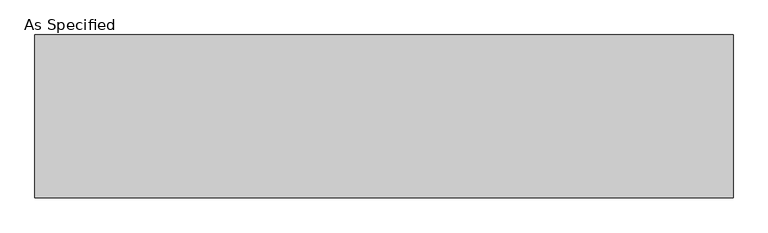
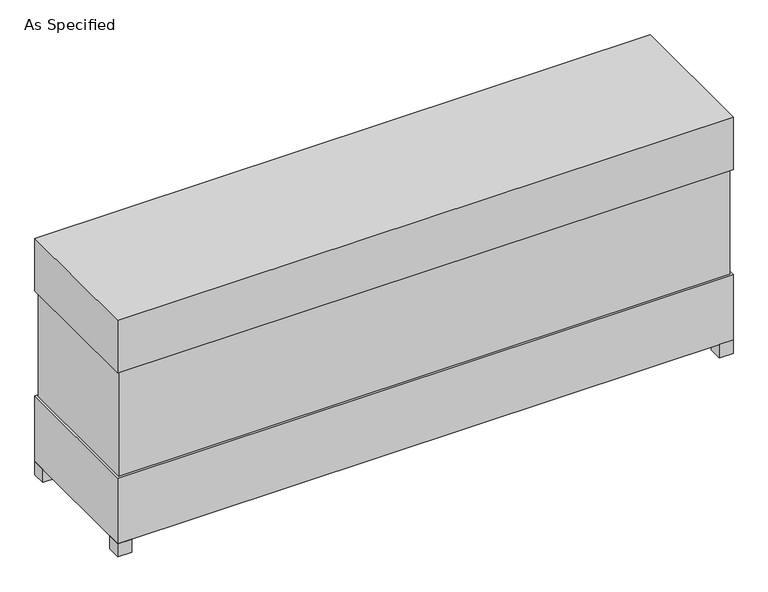
"""IFC4 building model written with IfcOpenShell, lengths in millimetres: proxy geometry, As Specified."""

from ifc_helpers import new_model, si_unit, frame, origin, origin_with_axes, place, context, project, spatial, polyline, outline, extrude, source, transform, mapped, element, save


def as_specified_8880e6f7(model_context):
    return source(origin(), model_context, "Body", "SweptSolid", [
        extrude(outline(polyline([(1677.9875, 382.5875), (1677.9875, -382.5875), (-1677.9875, -382.5875), (-1677.9875, 382.5875), (1677.9875, 382.5875)])), frame((0.0, 0.0, 457.2), z_axis=(0.0, 0.0, 1.0), x_axis=(1.0, 0.0, 0.0)), (0.0, 0.0, 1.0), 609.6),
        extrude(outline(polyline([(1689.1, 393.7), (1689.1, -393.7), (-1689.1, -393.7), (-1689.1, 393.7), (1689.1, 393.7)])), frame((0.0, 0.0, 1066.8), z_axis=(0.0, 0.0, 1.0), x_axis=(1.0, 0.0, 0.0)), (0.0, 0.0, 1.0), 304.8),
        extrude(outline(polyline([(1574.8, 177.8), (1574.8, 101.6), (1498.6, 101.6), (1498.6, 177.8), (1574.8, 177.8)])), frame((0.0, 0.0, 50.8), z_axis=(0.0, 0.0, 1.0), x_axis=(1.0, 0.0, 0.0)), (0.0, 0.0, 1.0), 25.4),
        extrude(outline(polyline([(1574.8, -101.6), (1574.8, -177.8), (1498.6, -177.8), (1498.6, -101.6), (1574.8, -101.6)])), frame((0.0, 0.0, 50.8), z_axis=(0.0, 0.0, 1.0), x_axis=(1.0, 0.0, 0.0)), (0.0, 0.0, 1.0), 25.4),
        extrude(outline(polyline([(-1612.9, 393.7), (-1612.9, 317.5), (-1689.1, 317.5), (-1689.1, 393.7), (-1612.9, 393.7)])), origin_with_axes(), (0.0, 0.0, 1.0), 76.2),
        extrude(outline(polyline([(1689.1, 393.7), (1689.1, 317.5), (1612.9, 317.5), (1612.9, 393.7), (1689.1, 393.7)])), origin_with_axes(), (0.0, 0.0, 1.0), 76.2),
        extrude(outline(polyline([(1689.1, -317.5), (1689.1, -393.7), (1612.9, -393.7), (1612.9, -317.5), (1689.1, -317.5)])), origin_with_axes(), (0.0, 0.0, 1.0), 76.2),
        extrude(outline(polyline([(-1612.9, -317.5), (-1612.9, -393.7), (-1689.1, -393.7), (-1689.1, -317.5), (-1612.9, -317.5)])), origin_with_axes(), (0.0, 0.0, 1.0), 76.2),
        extrude(outline(polyline([(1689.1, 393.7), (1689.1, -393.7), (-1689.1, -393.7), (-1689.1, 393.7), (1689.1, 393.7)])), frame((0.0, 0.0, 76.2), z_axis=(0.0, 0.0, 1.0), x_axis=(1.0, 0.0, 0.0)), (0.0, 0.0, 1.0), 381.0),
    ])


if __name__ == "__main__":
    model = new_model("IFC4")
    model_context = context("Model", 3, world=origin())
    ifc_project = project(units=[si_unit("LENGTHUNIT", "METRE", prefix="MILLI")], contexts=[model_context])
    site = spatial("IfcSite", under=ifc_project)
    building = spatial("IfcBuilding", under=site)
    placement = place(None, origin())
    as_specified_shape = as_specified_8880e6f7(model_context)
    element("IfcBuildingElementProxy", 1, Name="As Specified", ObjectType="As Specified", at=placement, inside=building, context=model_context, shape_type="MappedRepresentation", body=[
        mapped(as_specified_shape, transform((0.0, 0.0, 0.0), x_axis=(1.0, 0.0, 0.0), y_axis=(0.0, 1.0, 0.0), z_axis=(0.0, 0.0, 1.0))),
    ])
    save(model, "model.ifc")
